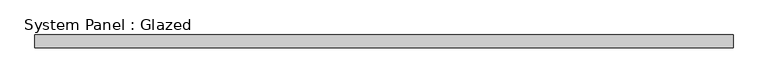
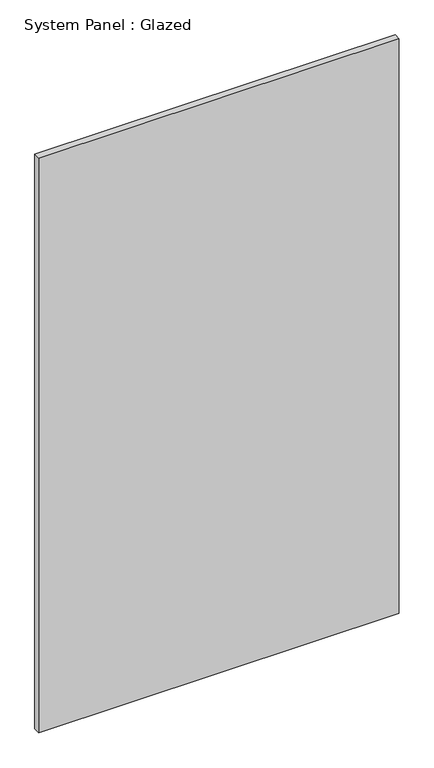
"""IFC4 building model written with IfcOpenShell, lengths in millimetres: plate geometry, System Panel : Glazed."""

from ifc_helpers import new_model, si_unit, origin, origin_with_axes, place, context, project, spatial, polyline, outline, extrude, source, transform, mapped, element, save


def system_panel_glazed_1f16bf5a(model_context):
    return source(origin(), model_context, "Body", "SweptSolid", [
        extrude(outline(polyline([(690.0, -49.5), (-690.0, -49.5), (-690.0, -24.5), (690.0, -24.5), (690.0, -49.5)])), origin_with_axes(), (0.0, 0.0, 1.0), 2325.0),
    ])


if __name__ == "__main__":
    model = new_model("IFC4")
    model_context = context("Model", 3, world=origin())
    ifc_project = project(units=[si_unit("LENGTHUNIT", "METRE", prefix="MILLI")], contexts=[model_context])
    site = spatial("IfcSite", under=ifc_project)
    building = spatial("IfcBuilding", under=site)
    placement = place(None, origin())
    system_panel_glazed_shape = system_panel_glazed_1f16bf5a(model_context)
    element("IfcPlate", 1, ObjectType="System Panel : Glazed", at=placement, inside=building, context=model_context, shape_type="MappedRepresentation", body=[
        mapped(system_panel_glazed_shape, transform((0.0, 0.0, 0.0), x_axis=(1.0, 0.0, 0.0), y_axis=(0.0, 1.0, 0.0), z_axis=(0.0, 0.0, 1.0))),
    ])
    save(model, "model.ifc")
